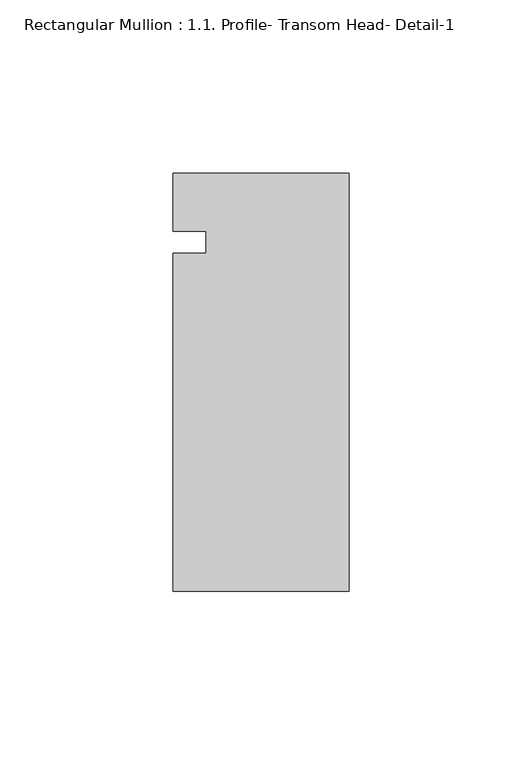
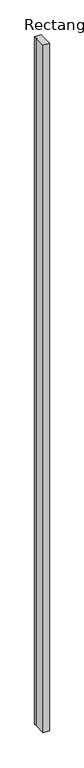
"""IFC4 building model written with IfcOpenShell, lengths in millimetres: member geometry, Rectangular Mullion : 1.1. Profile- Transom Head- Detail-1."""

import ifcopenshell
import ifcopenshell.guid

model = None  # the IFC model being written
_history = None  # IfcOwnerHistory: only IFC2X3 demands one
_inside = {}  # id of a spatial element -> (the spatial element, [elements in it])
_under = {}  # id of a project, library or spatial element -> (it, [spatial elements below it])
_declared = {}  # id of a project -> (the project, [libraries it declares])
_typed = {}  # id of a type object -> (the type object, [elements of that type])
_made_of = {}  # id of a material, layer set ... -> (it, [elements and type objects made of it])


def new_model(schema):
    """Start an empty IFC model of exactly this schema.

    Asked for "IFC4X3", IfcOpenShell would pick the latest addendum, in which some entities
    have other attributes; the version numbers below select the first issue.
    IFC2X3 requires an IfcOwnerHistory on every rooted entity: one is made here for all.
    """
    global model, _history
    if schema == "IFC4X3":
        model = ifcopenshell.file(schema_version=(4, 3, 0, 0))
    else:
        model = ifcopenshell.file(schema=schema)
    _inside.clear()
    _under.clear()
    _declared.clear()
    _typed.clear()
    _made_of.clear()
    _history = None
    if model.schema == "IFC2X3":
        org = make("IfcOrganization", Name="unknown")
        user = make(
            "IfcPersonAndOrganization",
            ThePerson=make("IfcPerson", FamilyName="unknown"),
            TheOrganization=org,
        )
        app = make(
            "IfcApplication",
            ApplicationDeveloper=org,
            Version="unknown",
            ApplicationFullName="unknown",
            ApplicationIdentifier="unknown",
        )
        _history = make(
            "IfcOwnerHistory",
            OwningUser=user,
            OwningApplication=app,
            ChangeAction="ADDED",
            CreationDate=0,
        )
    return model


def make(cls, **values):
    """One entity of the class cls with the attributes given. An attribute that is None is left unset."""
    return model.create_entity(
        cls, **{name: value for name, value in values.items() if value is not None}
    )


def rooted(cls, **values):
    """An entity with a GlobalId (a new one), such as an element, a storey or a relation."""
    return make(cls, GlobalId=ifcopenshell.guid.new(), OwnerHistory=_history, **values)


def si_unit(unit_type, name, prefix=None):
    """IfcSIUnit, for example si_unit("LENGTHUNIT", "METRE", prefix="MILLI")."""
    return make("IfcSIUnit", UnitType=unit_type, Prefix=prefix, Name=name)


def assignment(units):
    """IfcUnitAssignment: the units of a project."""
    return None if units is None else make("IfcUnitAssignment", Units=units)


def point(xyz):
    """IfcCartesianPoint."""
    return None if xyz is None else make("IfcCartesianPoint", Coordinates=xyz)


def direction(xyz):
    """IfcDirection."""
    return None if xyz is None else make("IfcDirection", DirectionRatios=xyz)


def frame(location, z_axis=None, x_axis=None):
    """IfcAxis2Placement3D, a coordinate frame: its origin and axes. An axis left out is left unset."""
    return make(
        "IfcAxis2Placement3D",
        Location=point(location),
        Axis=direction(z_axis),
        RefDirection=direction(x_axis),
    )


def origin():
    """The frame at (0, 0, 0) with its axes left unset."""
    return frame((0.0, 0.0, 0.0))


def place(relative_to, where):
    """IfcLocalPlacement: puts the frame where relative to a parent placement (None: the world)."""
    return make(
        "IfcLocalPlacement", PlacementRelTo=relative_to, RelativePlacement=where
    )


def context(
    kind, dimensions, precision=None, world=None, true_north=None, identifier=None
):
    """IfcGeometricRepresentationContext, for example the 3D "Model" context."""
    return make(
        "IfcGeometricRepresentationContext",
        ContextIdentifier=identifier,
        ContextType=kind,
        CoordinateSpaceDimension=dimensions,
        Precision=precision,
        WorldCoordinateSystem=world,
        TrueNorth=true_north,
    )


def project(units=None, contexts=None):
    """IfcProject with its units and contexts."""
    return rooted(
        "IfcProject",
        Name="project",
        RepresentationContexts=contexts,
        UnitsInContext=assignment(units),
    )


def spatial(cls, under=None, at=None, **own):
    """A site, building, storey or space (cls), placed at a placement, below another one or the project."""
    s = rooted(cls, ObjectPlacement=at, **own)
    if under is not None:
        _under.setdefault(under.id(), (under, []))[1].append(s)
    return s


def polyline(points):
    """IfcPolyline through the points."""
    return make("IfcPolyline", Points=[point(p) for p in points])


def outline(outer, holes=None, kind="AREA"):
    """IfcArbitraryClosedProfileDef: a profile drawn as a closed curve; with holes, ...WithVoids."""
    if holes is None:
        return make("IfcArbitraryClosedProfileDef", ProfileType=kind, OuterCurve=outer)
    return make(
        "IfcArbitraryProfileDefWithVoids",
        ProfileType=kind,
        OuterCurve=outer,
        InnerCurves=holes,
    )


def extrude(swept, where, along, depth):
    """IfcExtrudedAreaSolid: the profile swept, set in the frame where, extruded along a direction by depth."""
    return make(
        "IfcExtrudedAreaSolid",
        SweptArea=swept,
        Position=where,
        ExtrudedDirection=direction(along),
        Depth=depth,
    )


def shape(context_of_items, identifier, shape_type, items):
    """IfcShapeRepresentation: the items that make up one representation, for example the "Body"."""
    return make(
        "IfcShapeRepresentation",
        ContextOfItems=context_of_items,
        RepresentationIdentifier=identifier,
        RepresentationType=shape_type,
        Items=items,
    )


def source(mapping_origin, context_of_items, identifier, shape_type, items):
    """IfcRepresentationMap: a shape defined once, which mapped items show again and again."""
    return make(
        "IfcRepresentationMap",
        MappingOrigin=mapping_origin,
        MappedRepresentation=shape(context_of_items, identifier, shape_type, items),
    )


def transform(
    local_origin,
    x_axis=None,
    y_axis=None,
    z_axis=None,
    scale=None,
    scale2=None,
    scale3=None,
    uniform=True,
):
    """IfcCartesianTransformationOperator3D, or its non-uniform kind. x_axis, y_axis, z_axis: its Axis1, 2, 3."""
    if uniform:
        return make(
            "IfcCartesianTransformationOperator3D",
            Axis1=direction(x_axis),
            Axis2=direction(y_axis),
            LocalOrigin=point(local_origin),
            Scale=scale,
            Axis3=direction(z_axis),
        )
    return make(
        "IfcCartesianTransformationOperator3DnonUniform",
        Axis1=direction(x_axis),
        Axis2=direction(y_axis),
        LocalOrigin=point(local_origin),
        Scale=scale,
        Axis3=direction(z_axis),
        Scale2=scale2,
        Scale3=scale3,
    )


def mapped(mapping_source, mapping_target):
    """IfcMappedItem: shows the shape of a source again, moved by a transform."""
    return make(
        "IfcMappedItem", MappingSource=mapping_source, MappingTarget=mapping_target
    )


def made_of(thing, what):
    """Note that an element or type object is made of a material, layer set ...; save() writes the relation."""
    if what is not None:
        _made_of.setdefault(what.id(), (what, []))[1].append(thing)
    return thing


def element(
    cls,
    number,
    at=None,
    inside=None,
    cuts=None,
    type_object=None,
    material=None,
    context=None,
    identifier="Body",
    shape_type=None,
    held_by="IfcProductDefinitionShape",
    body=None,
    shapes=None,
    **own,
):
    """One element of the class cls, such as IfcWall. Its Tag is "e" and its number.

    at: its placement. inside: the storey or other place that contains it. cuts: it is an
    opening in that element (IfcRelVoidsElement). A single representation is given by context,
    identifier, shape_type and body (its items); several are given by shapes. held_by: the class
    of the entity that holds the representations. save() writes the other relations.
    """
    e = rooted(cls, Tag="e%d" % number, ObjectPlacement=at, **own)
    if body is not None:
        shapes = [shape(context, identifier, shape_type, body)]
    if shapes is not None:
        e.Representation = make(held_by, Representations=shapes)
    if inside is not None:
        _inside.setdefault(inside.id(), (inside, []))[1].append(e)
    if cuts is not None:
        rooted(
            "IfcRelVoidsElement", RelatingBuildingElement=cuts, RelatedOpeningElement=e
        )
    if type_object is not None:
        _typed.setdefault(type_object.id(), (type_object, []))[1].append(e)
    return made_of(e, material)


def aggregate(whole, parts):
    """IfcRelAggregates: a whole, such as a stair, and the parts it consists of."""
    return rooted("IfcRelAggregates", RelatingObject=whole, RelatedObjects=parts)


def save(model, path):
    """Write the relations noted so far, then the file.

    IfcRelAggregates (storeys below a building ...), IfcRelContainedInSpatialStructure (elements
    in a storey), IfcRelDefinesByType, IfcRelAssociatesMaterial and IfcRelDeclares: one each for
    every whole, place, type object, material and project.
    """
    for whole, parts in _under.values():
        aggregate(whole, parts)
    for where, things in _inside.values():
        rooted(
            "IfcRelContainedInSpatialStructure",
            RelatedElements=things,
            RelatingStructure=where,
        )
    for kind, things in _typed.values():
        rooted("IfcRelDefinesByType", RelatedObjects=things, RelatingType=kind)
    for what, things in _made_of.values():
        rooted("IfcRelAssociatesMaterial", RelatedObjects=things, RelatingMaterial=what)
    for by, libraries in _declared.values():
        rooted("IfcRelDeclares", RelatingContext=by, RelatedDefinitions=libraries)
    model.write(path)


def rectangular_mullion_1_1_profile_transom_head_detail_1_076a0d4f(model_context):
    return source(origin(), model_context, "Body", "SweptSolid", [
        extrude(outline(polyline([(-41.275, 37.0131698), (-41.275, 43.4534082), (-50.7746, 43.4534082), (-50.7746, 60.1446836), (0.0, 60.1446836), (0.0, -60.5053164), (-50.8, -60.5053164), (-50.8, 37.0131698), (-41.275, 37.0131698)])), frame((0.0, 0.0, -5994.4000082), z_axis=(0.0, 0.0, 1.0), x_axis=(1.0, 0.0, 0.0)), (0.0, 0.0, 1.0), 5994.4000082),
    ])


if __name__ == "__main__":
    model = new_model("IFC4")
    model_context = context("Model", 3, world=origin())
    ifc_project = project(units=[si_unit("LENGTHUNIT", "METRE", prefix="MILLI")], contexts=[model_context])
    site = spatial("IfcSite", under=ifc_project)
    building = spatial("IfcBuilding", under=site)
    placement = place(None, origin())
    rectangular_mullion_1_1_profile_transom_head_detail_1_shape = rectangular_mullion_1_1_profile_transom_head_detail_1_076a0d4f(model_context)
    element("IfcMember", 1, ObjectType="Rectangular Mullion : 1.1. Profile- Transom Head- Detail-1", at=placement, inside=building, context=model_context, shape_type="MappedRepresentation", body=[
        mapped(rectangular_mullion_1_1_profile_transom_head_detail_1_shape, transform((0.0, 0.0, 0.0), x_axis=(1.0, 0.0, 0.0), y_axis=(0.0, 1.0, 0.0), z_axis=(0.0, 0.0, 1.0))),
    ])
    save(model, "model.ifc")
